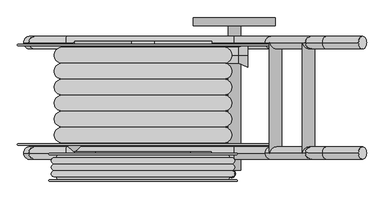
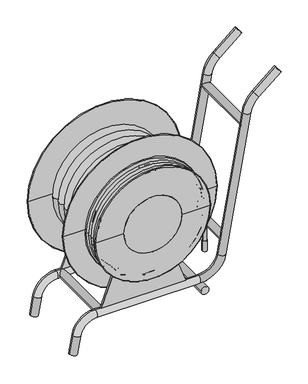
"""IFC4 building model written with IfcOpenShell, lengths in millimetres: fire suppression terminal geometry."""

from ifc_helpers import new_model, si_unit, point, frame, frame_2d, origin, place, context, project, spatial, polyline, circle_curve, ellipse_curve, trimmed, segment, composite_curve, outline, extrude, source, transform, mapped, element, save
from ifc_brep_helpers import plane_surface, cylinder_surface, revolved_surface, advanced_brep


def fire_suppression_terminal_3c945f0a(model_context):
    return source(origin(), model_context, "Body", "SolidModel", [
        extrude(outline(composite_curve([segment(trimmed(circle_curve(frame_2d((182.4354819, -205.6)), 9.5), [point((191.9354819, -205.6))], [point((172.9354819, -205.6))], False, "CARTESIAN"), True, "CONTINUOUS"), segment(trimmed(circle_curve(frame_2d((182.4354819, -205.6)), 9.5), [point((172.9354819, -205.6))], [point((191.9354819, -205.6))], False, "CARTESIAN"), True, "CONTINUOUS")], self_intersect=False)), frame((0.0, 0.0, 436.3970652), z_axis=(0.0, 0.0, 1.0), x_axis=(1.0, 0.0, 0.0)), (0.0, 0.0, 1.0), 200.0),
        advanced_brep(
        [(266.244333, -145.05, 636.3970652), (-266.244333, -145.05, 636.3970652), (-266.244333, -225.0, 636.3970652), (266.244333, -225.0, 636.3970652), (273.9955864, -160.0425467, 636.3970652), (-273.9955864, -160.0425467, 636.3970652), (282.4243529, -173.925, 636.3970652), (-282.4243529, -173.925, 636.3970652), (282.4243529, -194.525, 636.3970652), (-282.4243529, -194.525, 636.3970652), (-282.4243529, -175.525, 636.3970652), (282.4243529, -175.525, 636.3970652), (274.6730994, -211.1175467, 636.3970652), (-274.6730994, -211.1175467, 636.3970652), (-282.4243529, -196.125, 636.3970652), (282.4243529, -196.125, 636.3970652)],
        [
            (0, 1, circle_curve(frame((0.0, -145.05, 636.3970652), z_axis=(0.0, 1.0, 0.0), x_axis=(-1.0, 0.0, 0.0)), 266.244333)),
            (1, 2),
            (2, 3, circle_curve(frame((0.0, -225.0, 636.3970652), z_axis=(0.0, -1.0, 0.0), x_axis=(-1.0, 0.0, 0.0)), 266.244333)),
            (3, 0),
            (1, 0, circle_curve(frame((0.0, -145.05, 636.3970652), z_axis=(0.0, 1.0, 0.0), x_axis=(-1.0, 0.0, 0.0)), 266.244333)),
            (3, 2, circle_curve(frame((0.0, -225.0, 636.3970652), z_axis=(0.0, -1.0, 0.0), x_axis=(-1.0, 0.0, 0.0)), 266.244333)),
            (4, 5, circle_curve(frame((0.0, -160.0425467, 636.3970652), z_axis=(0.0, 1.0, 0.0), x_axis=(-1.0, 0.0, 0.0)), 273.9955864)),
            (5, 1, circle_curve(frame((-266.244333, -154.55, 636.3970652), z_axis=(0.0, 0.0, -1.0), x_axis=(-1.0, 0.0, 0.0)), 9.5)),
            (0, 4, circle_curve(frame((266.244333, -154.55, 636.3970652), z_axis=(0.0, 0.0, -1.0), x_axis=(1.0, 0.0, 0.0)), 9.5)),
            (5, 4, circle_curve(frame((0.0, -160.0425467, 636.3970652), z_axis=(0.0, 1.0, 0.0), x_axis=(-1.0, 0.0, 0.0)), 273.9955864)),
            (6, 7, circle_curve(frame((0.0, -173.925, 636.3970652), z_axis=(0.0, 1.0, 0.0), x_axis=(-1.0, 0.0, 0.0)), 282.4243529)),
            (7, 5, circle_curve(frame((-282.4243529, -164.425, 636.3970652), z_axis=(0.0, 0.0, -1.0), x_axis=(-1.0, 0.0, 0.0)), 9.5)),
            (4, 6, circle_curve(frame((282.4243529, -164.425, 636.3970652), z_axis=(0.0, 0.0, -1.0), x_axis=(1.0, 0.0, 0.0)), 9.5)),
            (7, 6, circle_curve(frame((0.0, -173.925, 636.3970652), z_axis=(0.0, 1.0, 0.0), x_axis=(-1.0, 0.0, 0.0)), 282.4243529)),
            (8, 9, circle_curve(frame((0.0, -194.525, 636.3970652), z_axis=(0.0, 1.0, 0.0), x_axis=(-1.0, 0.0, 0.0)), 282.4243529)),
            (9, 10, circle_curve(frame((-282.4243529, -185.025, 636.3970652), z_axis=(0.0, 0.0, -1.0), x_axis=(-1.0, 0.0, 0.0)), 9.5)),
            (10, 11, circle_curve(frame((0.0, -175.525, 636.3970652), z_axis=(0.0, -1.0, 0.0), x_axis=(-1.0, 0.0, 0.0)), 282.4243529)),
            (11, 8, circle_curve(frame((282.4243529, -185.025, 636.3970652), z_axis=(0.0, 0.0, -1.0), x_axis=(1.0, 0.0, 0.0)), 9.5)),
            (9, 8, circle_curve(frame((0.0, -194.525, 636.3970652), z_axis=(0.0, 1.0, 0.0), x_axis=(-1.0, 0.0, 0.0)), 282.4243529)),
            (11, 10, circle_curve(frame((0.0, -175.525, 636.3970652), z_axis=(0.0, -1.0, 0.0), x_axis=(-1.0, 0.0, 0.0)), 282.4243529)),
            (12, 13, circle_curve(frame((0.0, -211.1175467, 636.3970652), z_axis=(0.0, 1.0, 0.0), x_axis=(-1.0, 0.0, 0.0)), 274.6730994)),
            (13, 14, circle_curve(frame((-282.4243529, -205.625, 636.3970652), z_axis=(0.0, 0.0, -1.0), x_axis=(-1.0, 0.0, 0.0)), 9.5)),
            (14, 15, circle_curve(frame((0.0, -196.125, 636.3970652), z_axis=(0.0, -1.0, 0.0), x_axis=(-1.0, 0.0, 0.0)), 282.4243529)),
            (15, 12, circle_curve(frame((282.4243529, -205.625, 636.3970652), z_axis=(0.0, 0.0, -1.0), x_axis=(1.0, 0.0, 0.0)), 9.5)),
            (13, 12, circle_curve(frame((0.0, -211.1175467, 636.3970652), z_axis=(0.0, 1.0, 0.0), x_axis=(-1.0, 0.0, 0.0)), 274.6730994)),
            (15, 14, circle_curve(frame((0.0, -196.125, 636.3970652), z_axis=(0.0, -1.0, 0.0), x_axis=(-1.0, 0.0, 0.0)), 282.4243529)),
            (2, 13, circle_curve(frame((-266.244333, -215.5, 636.3970652), z_axis=(0.0, 0.0, -1.0), x_axis=(-1.0, 0.0, 0.0)), 9.5)),
            (12, 3, circle_curve(frame((266.244333, -215.5, 636.3970652), z_axis=(0.0, 0.0, -1.0), x_axis=(1.0, 0.0, 0.0)), 9.5)),
            (10, 7),
            (6, 11),
            (14, 9),
            (8, 15),
        ],
        [
            revolved_surface(polyline([(-266.244333, -225.0, 636.3970652), (-266.244333, -145.05, 636.3970652)]), (0.0, -130.0, 636.3970652), (0.0, -1.0, 0.0)),
            revolved_surface(trimmed(ellipse_curve(frame((-266.244333, -154.55, 636.3970652), z_axis=(0.0, 0.0, 1.0), x_axis=(-1.0, 0.0, 0.0)), 9.5, 9.5), [point((-266.244333, -145.05, 636.3970652))], [point((-273.9955864, -160.0425467, 636.3970652))], True, "CARTESIAN"), (0.0, -130.0, 636.3970652), (0.0, -1.0, 0.0)),
            revolved_surface(trimmed(ellipse_curve(frame((-282.4243529, -164.425, 636.3970652), z_axis=(0.0, 0.0, 1.0), x_axis=(-1.0, 0.0, 0.0)), 9.5, 9.5), [point((-273.9955864, -160.0425467, 636.3970652))], [point((-282.4243529, -173.925, 636.3970652))], True, "CARTESIAN"), (0.0, -130.0, 636.3970652), (0.0, -1.0, 0.0)),
            revolved_surface(trimmed(ellipse_curve(frame((-282.4243529, -185.025, 636.3970652), z_axis=(0.0, 0.0, 1.0), x_axis=(-1.0, 0.0, 0.0)), 9.5, 9.5), [point((-282.4243529, -175.525, 636.3970652))], [point((-282.4243529, -194.525, 636.3970652))], True, "CARTESIAN"), (0.0, -130.0, 636.3970652), (0.0, -1.0, 0.0)),
            revolved_surface(trimmed(ellipse_curve(frame((-282.4243529, -205.625, 636.3970652), z_axis=(0.0, 0.0, 1.0), x_axis=(-1.0, 0.0, 0.0)), 9.5, 9.5), [point((-282.4243529, -196.125, 636.3970652))], [point((-274.6730994, -211.1175467, 636.3970652))], True, "CARTESIAN"), (0.0, -130.0, 636.3970652), (0.0, -1.0, 0.0)),
            revolved_surface(trimmed(ellipse_curve(frame((-266.244333, -215.5, 636.3970652), z_axis=(0.0, 0.0, 1.0), x_axis=(-1.0, 0.0, 0.0)), 9.5, 9.5), [point((-274.6730994, -211.1175467, 636.3970652))], [point((-266.244333, -225.0, 636.3970652))], True, "CARTESIAN"), (0.0, -130.0, 636.3970652), (0.0, -1.0, 0.0)),
            cylinder_surface(frame((0.0, -130.0, 636.3970652), z_axis=(0.0, -1.0, 0.0), x_axis=(-1.0, 0.0, 0.0)), 282.4243529),
        ],
        [
            (0, [[1, 2, 3, 4]]),
            (0, [[5, -4, 6, -2]]),
            (1, [[7, 8, -1, 9]]),
            (1, [[10, -9, -5, -8]]),
            (2, [[11, 12, -7, 13]]),
            (2, [[14, -13, -10, -12]]),
            (3, [[15, 16, 17, 18]]),
            (3, [[19, -18, 20, -16]]),
            (4, [[21, 22, 23, 24]]),
            (4, [[25, -24, 26, -22]]),
            (5, [[-3, 27, -21, 28]]),
            (5, [[-6, -28, -25, -27]]),
            (6, [[-17, 29, -11, 30]]),
            (6, [[-20, -30, -14, -29]]),
            (6, [[-23, 31, -15, 32]]),
            (6, [[-26, -32, -19, -31]]),
        ],
    ),
        advanced_brep(
        [(333.9224788, 171.7347399, 418.065662), (333.9224788, 171.7347399, 340.1671125), (304.8659653, 171.7347399, 353.7163872), (304.8659653, 171.7347399, 404.5163872), (333.9224788, 171.7347399, 379.1163872), (0.0, 171.7347399, 404.5163872), (0.0, 171.7347399, 353.7163872), (0.0, 171.7347399, 379.1163872)],
        [
            (0, 1, circle_curve(frame((333.9224788, 171.7347399, 379.1163872), z_axis=(-1.0, 0.0, 0.0), x_axis=(0.0, 0.0, -1.0)), 38.9492747)),
            (1, 2),
            (2, 3, circle_curve(frame((304.8659653, 171.7347399, 379.1163872), z_axis=(1.0, 0.0, 0.0), x_axis=(0.0, 0.0, -1.0)), 25.4)),
            (3, 0),
            (1, 0, circle_curve(frame((333.9224788, 171.7347399, 379.1163872), z_axis=(-1.0, 0.0, 0.0), x_axis=(0.0, 0.0, -1.0)), 38.9492747)),
            (3, 2, circle_curve(frame((304.8659653, 171.7347399, 379.1163872), z_axis=(1.0, 0.0, 0.0), x_axis=(0.0, 0.0, -1.0)), 25.4)),
            (4, 1),
            (0, 4),
            (5, 6, circle_curve(frame((0.0, 171.7347399, 379.1163872), z_axis=(-1.0, 0.0, 0.0), x_axis=(0.0, 0.0, -1.0)), 25.4)),
            (6, 7),
            (7, 5),
            (6, 5, circle_curve(frame((0.0, 171.7347399, 379.1163872), z_axis=(-1.0, 0.0, 0.0), x_axis=(0.0, 0.0, -1.0)), 25.4)),
            (2, 6),
            (5, 3),
        ],
        [
            revolved_surface(polyline([(304.8659653, 171.7347399, 353.7163872), (333.9224788, 171.7347399, 340.1671125)]), (348.9224788, 171.7347399, 379.1163872), (1.0, 0.0, 0.0)),
            plane_surface(frame((333.9224788, 171.7347399, 379.1163872), z_axis=(1.0, 0.0, 0.0), x_axis=(0.0, 0.0, -1.0))),
            plane_surface(frame((0.0, 171.7347399, 379.1163872), z_axis=(-1.0, 0.0, 0.0), x_axis=(0.0, 0.0, -1.0))),
            cylinder_surface(frame((348.9224788, 171.7347399, 379.1163872), z_axis=(1.0, 0.0, 0.0), x_axis=(0.0, 0.0, -1.0)), 25.4),
        ],
        [
            (0, [[1, 2, 3, 4]]),
            (0, [[5, -4, 6, -2]]),
            (1, [[7, -1, 8]]),
            (1, [[-8, -5, -7]]),
            (2, [[9, 10, 11]]),
            (2, [[12, -11, -10]]),
            (3, [[-3, 13, -9, 14]]),
            (3, [[-6, -14, -12, -13]]),
        ],
    ),
        advanced_brep(
        [(222.0306991, 197.1347399, 636.3970652), (-222.0306991, 197.1347399, 636.3970652), (-222.0306991, -107.6652601, 636.3970652), (222.0306991, -107.6652601, 636.3970652), (257.2700489, -107.6652601, 636.3970652), (-257.2700489, -107.6652601, 636.3970652), (-257.2700489, -56.8652601, 636.3970652), (257.2700489, -56.8652601, 636.3970652), (257.2700489, 197.1347399, 636.3970652), (-257.2700489, 197.1347399, 636.3970652), (257.2700489, 146.3347399, 636.3970652), (-257.2700489, 146.3347399, 636.3970652), (257.2700489, 95.5347399, 636.3970652), (-257.2700489, 95.5347399, 636.3970652), (257.2700489, 44.7347399, 636.3970652), (-257.2700489, 44.7347399, 636.3970652), (257.2700489, -6.0652601, 636.3970652), (-257.2700489, -6.0652601, 636.3970652)],
        [
            (0, 1, circle_curve(frame((0.0, 197.1347399, 636.3970652), z_axis=(0.0, 1.0, 0.0), x_axis=(-1.0, 0.0, 0.0)), 222.0306991)),
            (1, 2),
            (2, 3, circle_curve(frame((0.0, -107.6652601, 636.3970652), z_axis=(0.0, -1.0, 0.0), x_axis=(-1.0, 0.0, 0.0)), 222.0306991)),
            (3, 0),
            (1, 0, circle_curve(frame((0.0, 197.1347399, 636.3970652), z_axis=(0.0, 1.0, 0.0), x_axis=(-1.0, 0.0, 0.0)), 222.0306991)),
            (3, 2, circle_curve(frame((0.0, -107.6652601, 636.3970652), z_axis=(0.0, -1.0, 0.0), x_axis=(-1.0, 0.0, 0.0)), 222.0306991)),
            (4, 5, circle_curve(frame((0.0, -107.6652601, 636.3970652), z_axis=(0.0, 1.0, 0.0), x_axis=(-1.0, 0.0, 0.0)), 257.2700489)),
            (5, 6, circle_curve(frame((-257.2700489, -82.2652601, 636.3970652), z_axis=(0.0, 0.0, -1.0), x_axis=(-1.0, 0.0, 0.0)), 25.4)),
            (6, 7, circle_curve(frame((0.0, -56.8652601, 636.3970652), z_axis=(0.0, -1.0, 0.0), x_axis=(-1.0, 0.0, 0.0)), 257.2700489)),
            (7, 4, circle_curve(frame((257.2700489, -82.2652601, 636.3970652), z_axis=(0.0, 0.0, -1.0), x_axis=(1.0, 0.0, 0.0)), 25.4)),
            (5, 4, circle_curve(frame((0.0, -107.6652601, 636.3970652), z_axis=(0.0, 1.0, 0.0), x_axis=(-1.0, 0.0, 0.0)), 257.2700489)),
            (7, 6, circle_curve(frame((0.0, -56.8652601, 636.3970652), z_axis=(0.0, -1.0, 0.0), x_axis=(-1.0, 0.0, 0.0)), 257.2700489)),
            (2, 5),
            (4, 3),
            (8, 9, circle_curve(frame((0.0, 197.1347399, 636.3970652), z_axis=(0.0, 1.0, 0.0), x_axis=(-1.0, 0.0, 0.0)), 257.2700489)),
            (9, 1),
            (0, 8),
            (9, 8, circle_curve(frame((0.0, 197.1347399, 636.3970652), z_axis=(0.0, 1.0, 0.0), x_axis=(-1.0, 0.0, 0.0)), 257.2700489)),
            (10, 11, circle_curve(frame((0.0, 146.3347399, 636.3970652), z_axis=(0.0, 1.0, 0.0), x_axis=(-1.0, 0.0, 0.0)), 257.2700489)),
            (11, 9, circle_curve(frame((-257.2700489, 171.7347399, 636.3970652), z_axis=(0.0, 0.0, -1.0), x_axis=(-1.0, 0.0, 0.0)), 25.4)),
            (8, 10, circle_curve(frame((257.2700489, 171.7347399, 636.3970652), z_axis=(0.0, 0.0, -1.0), x_axis=(1.0, 0.0, 0.0)), 25.4)),
            (11, 10, circle_curve(frame((0.0, 146.3347399, 636.3970652), z_axis=(0.0, 1.0, 0.0), x_axis=(-1.0, 0.0, 0.0)), 257.2700489)),
            (12, 13, circle_curve(frame((0.0, 95.5347399, 636.3970652), z_axis=(0.0, 1.0, 0.0), x_axis=(-1.0, 0.0, 0.0)), 257.2700489)),
            (13, 11, circle_curve(frame((-257.2700489, 120.9347399, 636.3970652), z_axis=(0.0, 0.0, -1.0), x_axis=(-1.0, 0.0, 0.0)), 25.4)),
            (10, 12, circle_curve(frame((257.2700489, 120.9347399, 636.3970652), z_axis=(0.0, 0.0, -1.0), x_axis=(1.0, 0.0, 0.0)), 25.4)),
            (13, 12, circle_curve(frame((0.0, 95.5347399, 636.3970652), z_axis=(0.0, 1.0, 0.0), x_axis=(-1.0, 0.0, 0.0)), 257.2700489)),
            (14, 15, circle_curve(frame((0.0, 44.7347399, 636.3970652), z_axis=(0.0, 1.0, 0.0), x_axis=(-1.0, 0.0, 0.0)), 257.2700489)),
            (15, 13, circle_curve(frame((-257.2700489, 70.1347399, 636.3970652), z_axis=(0.0, 0.0, -1.0), x_axis=(-1.0, 0.0, 0.0)), 25.4)),
            (12, 14, circle_curve(frame((257.2700489, 70.1347399, 636.3970652), z_axis=(0.0, 0.0, -1.0), x_axis=(1.0, 0.0, 0.0)), 25.4)),
            (15, 14, circle_curve(frame((0.0, 44.7347399, 636.3970652), z_axis=(0.0, 1.0, 0.0), x_axis=(-1.0, 0.0, 0.0)), 257.2700489)),
            (16, 17, circle_curve(frame((0.0, -6.0652601, 636.3970652), z_axis=(0.0, 1.0, 0.0), x_axis=(-1.0, 0.0, 0.0)), 257.2700489)),
            (17, 15, circle_curve(frame((-257.2700489, 19.3347399, 636.3970652), z_axis=(0.0, 0.0, -1.0), x_axis=(-1.0, 0.0, 0.0)), 25.4)),
            (14, 16, circle_curve(frame((257.2700489, 19.3347399, 636.3970652), z_axis=(0.0, 0.0, -1.0), x_axis=(1.0, 0.0, 0.0)), 25.4)),
            (17, 16, circle_curve(frame((0.0, -6.0652601, 636.3970652), z_axis=(0.0, 1.0, 0.0), x_axis=(-1.0, 0.0, 0.0)), 257.2700489)),
            (6, 17, circle_curve(frame((-257.2700489, -31.4652601, 636.3970652), z_axis=(0.0, 0.0, -1.0), x_axis=(-1.0, 0.0, 0.0)), 25.4)),
            (16, 7, circle_curve(frame((257.2700489, -31.4652601, 636.3970652), z_axis=(0.0, 0.0, -1.0), x_axis=(1.0, 0.0, 0.0)), 25.4)),
        ],
        [
            revolved_surface(polyline([(-222.0306991, -107.66526010000001, 636.3970652), (-222.0306991, 197.1347399, 636.3970652)]), (0.0, 200.0, 636.3970652), (0.0, -1.0, 0.0)),
            revolved_surface(trimmed(ellipse_curve(frame((-257.2700489, -82.2652601, 636.3970652), z_axis=(0.0, 0.0, 1.0), x_axis=(-1.0, 0.0, 0.0)), 25.4, 25.4), [point((-257.2700489, -56.8652601, 636.3970652))], [point((-257.2700489, -107.6652601, 636.3970652))], True, "CARTESIAN"), (0.0, 200.0, 636.3970652), (0.0, -1.0, 0.0)),
            plane_surface(frame((0.0, -107.6652601, 636.3970652), z_axis=(0.0, -1.0, 0.0), x_axis=(-1.0, 0.0, 0.0))),
            plane_surface(frame((0.0, 197.1347399, 636.3970652), z_axis=(0.0, 1.0, 0.0), x_axis=(-1.0, 0.0, 0.0))),
            revolved_surface(trimmed(ellipse_curve(frame((-257.2700489, 171.7347399, 636.3970652), z_axis=(0.0, 0.0, 1.0), x_axis=(-1.0, 0.0, 0.0)), 25.4, 25.4), [point((-257.2700489, 197.1347399, 636.3970652))], [point((-257.2700489, 146.3347399, 636.3970652))], True, "CARTESIAN"), (0.0, 200.0, 636.3970652), (0.0, -1.0, 0.0)),
            revolved_surface(trimmed(ellipse_curve(frame((-257.2700489, 120.9347399, 636.3970652), z_axis=(0.0, 0.0, 1.0), x_axis=(-1.0, 0.0, 0.0)), 25.4, 25.4), [point((-257.2700489, 146.3347399, 636.3970652))], [point((-257.2700489, 95.5347399, 636.3970652))], True, "CARTESIAN"), (0.0, 200.0, 636.3970652), (0.0, -1.0, 0.0)),
            revolved_surface(trimmed(ellipse_curve(frame((-257.2700489, 70.1347399, 636.3970652), z_axis=(0.0, 0.0, 1.0), x_axis=(-1.0, 0.0, 0.0)), 25.4, 25.4), [point((-257.2700489, 95.5347399, 636.3970652))], [point((-257.2700489, 44.7347399, 636.3970652))], True, "CARTESIAN"), (0.0, 200.0, 636.3970652), (0.0, -1.0, 0.0)),
            revolved_surface(trimmed(ellipse_curve(frame((-257.2700489, 19.3347399, 636.3970652), z_axis=(0.0, 0.0, 1.0), x_axis=(-1.0, 0.0, 0.0)), 25.4, 25.4), [point((-257.2700489, 44.7347399, 636.3970652))], [point((-257.2700489, -6.0652601, 636.3970652))], True, "CARTESIAN"), (0.0, 200.0, 636.3970652), (0.0, -1.0, 0.0)),
            revolved_surface(trimmed(ellipse_curve(frame((-257.2700489, -31.4652601, 636.3970652), z_axis=(0.0, 0.0, 1.0), x_axis=(-1.0, 0.0, 0.0)), 25.4, 25.4), [point((-257.2700489, -6.0652601, 636.3970652))], [point((-257.2700489, -56.8652601, 636.3970652))], True, "CARTESIAN"), (0.0, 200.0, 636.3970652), (0.0, -1.0, 0.0)),
        ],
        [
            (0, [[1, 2, 3, 4]]),
            (0, [[5, -4, 6, -2]]),
            (1, [[7, 8, 9, 10]]),
            (1, [[11, -10, 12, -8]]),
            (2, [[-3, 13, -7, 14]]),
            (2, [[-6, -14, -11, -13]]),
            (3, [[15, 16, -1, 17]]),
            (3, [[18, -17, -5, -16]]),
            (4, [[19, 20, -15, 21]]),
            (4, [[22, -21, -18, -20]]),
            (5, [[23, 24, -19, 25]]),
            (5, [[26, -25, -22, -24]]),
            (6, [[27, 28, -23, 29]]),
            (6, [[30, -29, -26, -28]]),
            (7, [[31, 32, -27, 33]]),
            (7, [[34, -33, -30, -32]]),
            (8, [[-9, 35, -31, 36]]),
            (8, [[-12, -36, -34, -35]]),
        ],
    ),
        extrude(outline(composite_curve([segment(trimmed(circle_curve(frame_2d((636.3970652, 0.0)), 150.0), [point((636.3970652, 150.0))], [point((636.3970652, -150.0))], False, "CARTESIAN"), True, "CONTINUOUS"), segment(trimmed(circle_curve(frame_2d((636.3970652, 0.0)), 150.0), [point((636.3970652, -150.0))], [point((636.3970652, 150.0))], False, "CARTESIAN"), True, "CONTINUOUS")], self_intersect=False)), frame((0.0, -230.0, 0.0), z_axis=(0.0, 1.0, 0.0), x_axis=(0.0, 0.0, 1.0)), (0.0, 0.0, 1.0), 95.0),
        extrude(outline(composite_curve([segment(trimmed(circle_curve(frame_2d((952.1638672, 527.3815961)), 20.0), [point((952.1638672, 547.3815961))], [point((952.1638672, 507.3815961))], False, "CARTESIAN"), True, "CONTINUOUS"), segment(trimmed(circle_curve(frame_2d((952.1638672, 527.3815961)), 20.0), [point((952.1638672, 507.3815961))], [point((952.1638672, 547.3815961))], False, "CARTESIAN"), True, "CONTINUOUS")], self_intersect=False)), frame((0.0, -140.0, 0.0), z_axis=(0.0, 1.0, 0.0), x_axis=(0.0, 0.0, 1.0)), (0.0, 0.0, 1.0), 351.6),
        extrude(outline(composite_curve([segment(trimmed(circle_curve(frame_2d((361.6090168, 422.2378881)), 20.0), [point((361.6090168, 442.2378881))], [point((361.6090168, 402.2378881))], False, "CARTESIAN"), True, "CONTINUOUS"), segment(trimmed(circle_curve(frame_2d((361.6090168, 422.2378881)), 20.0), [point((361.6090168, 402.2378881))], [point((361.6090168, 442.2378881))], False, "CARTESIAN"), True, "CONTINUOUS")], self_intersect=False)), frame((0.0, -140.0, 0.0), z_axis=(0.0, 1.0, 0.0), x_axis=(0.0, 0.0, 1.0)), (0.0, 0.0, 1.0), 351.6),
        advanced_brep(
        [(711.9092951, -139.6945931, 1172.2366331), (686.1977907, -139.6945931, 1202.8784108), (597.7348391, -139.6945931, 1076.4328891), (572.0233347, -139.6945931, 1107.0746668), (517.3001117, -139.6945931, 1012.2912644), (556.6924219, -139.6945931, 1005.3453372), (428.0343679, -139.6945931, 275.6892551), (388.6420578, -139.6945931, 282.6351822), (290.1612825, -139.6945931, 200.0), (290.1612825, -139.6945931, 160.0), (-245.2367986, -139.6945931, 160.0), (-245.2367986, -139.6945931, 200.0), (-363.413729, -139.6945931, 100.8377813), (-324.0214189, -139.6945931, 93.8918542), (-341.1894632, -139.6945931, -3.4729636), (-380.5817733, -139.6945931, 3.4729636)],
        [
            (0, 1, circle_curve(frame((699.0535429, -139.6945931, 1187.5575219), z_axis=(0.7660444431189768, 0.0, 0.642787609686541), x_axis=(-0.6427876096865409, 0.0, 0.7660444431189766)), 20.0)),
            (1, 0, circle_curve(frame((699.0535429, -139.6945931, 1187.5575219), z_axis=(0.7660444431189768, 0.0, 0.642787609686541), x_axis=(-0.6427876096865409, 0.0, 0.7660444431189766)), 20.0)),
            (0, 2),
            (2, 3, circle_curve(frame((584.8790869, -139.6945931, 1091.753778), z_axis=(0.7660444431189768, 0.0, 0.642787609686541), x_axis=(-0.6427876096865409, 0.0, 0.7660444431189766)), 20.0)),
            (3, 1),
            (3, 2, circle_curve(frame((584.8790869, -139.6945931, 1091.753778), z_axis=(0.7660444431189768, 0.0, 0.642787609686541), x_axis=(-0.6427876096865409, 0.0, 0.7660444431189766)), 20.0)),
            (4, 3, circle_curve(frame((674.8693522, -139.6945931, 984.5075559), z_axis=(0.0, 1.0, 0.0), x_axis=(-0.6427876096865407, 0.0, 0.7660444431189769)), 160.0)),
            (2, 5, circle_curve(frame((674.8693522, -139.6945931, 984.5075559), z_axis=(0.0, -1.0, 0.0), x_axis=(-0.6427876096865407, 0.0, 0.7660444431189769)), 120.0)),
            (5, 4, circle_curve(frame((536.9962668, -139.6945931, 1008.8183008), z_axis=(0.17364817766692403, 0.0, 0.9848077530122092), x_axis=(-0.9848077530122092, 0.0, 0.17364817766692403)), 20.0)),
            (4, 5, circle_curve(frame((536.9962668, -139.6945931, 1008.8183008), z_axis=(0.17364817766692547, 0.0, 0.9848077530122089), x_axis=(-0.9848077530122089, 0.0, 0.17364817766692547)), 20.0)),
            (5, 6),
            (6, 7, circle_curve(frame((408.3382129, -139.6945931, 279.1622187), z_axis=(0.17364817766692892, 0.0, 0.9848077530122084), x_axis=(-0.9848077530122084, 0.0, 0.17364817766692892)), 20.0)),
            (7, 4),
            (7, 6, circle_curve(frame((408.3382129, -139.6945931, 279.1622187), z_axis=(0.17364817766692892, 0.0, 0.9848077530122084), x_axis=(-0.9848077530122084, 0.0, 0.17364817766692892)), 20.0)),
            (8, 7, circle_curve(frame((290.1612825, -139.6945931, 300.0), z_axis=(0.0, -1.0, 0.0), x_axis=(0.9848077530122084, 0.0, -0.1736481776669284)), 100.0)),
            (6, 9, circle_curve(frame((290.1612825, -139.6945931, 300.0), z_axis=(0.0, 1.0, 0.0), x_axis=(0.9848077530122084, 0.0, -0.1736481776669284)), 140.0)),
            (9, 8, circle_curve(frame((290.1612825, -139.6945931, 180.0), z_axis=(0.9999999999999999, 0.0, 0.0), x_axis=(0.0, 0.0, 0.9999999999999999)), 20.0)),
            (8, 9, circle_curve(frame((290.1612825, -139.6945931, 180.0), z_axis=(1.0, 0.0, 0.0), x_axis=(0.0, 0.0, 1.0)), 20.0)),
            (9, 10),
            (10, 11, circle_curve(frame((-245.2367986, -139.6945931, 180.0), z_axis=(1.0, 0.0, 0.0), x_axis=(0.0, 0.0, 1.0)), 20.0)),
            (11, 8),
            (11, 10, circle_curve(frame((-245.2367986, -139.6945931, 180.0), z_axis=(1.0, 0.0, 0.0), x_axis=(0.0, 0.0, 1.0)), 20.0)),
            (12, 11, circle_curve(frame((-245.2367986, -139.6945931, 80.0), z_axis=(0.0, 1.0, 0.0), x_axis=(0.0, 0.0, 1.0)), 120.0)),
            (10, 13, circle_curve(frame((-245.2367986, -139.6945931, 80.0), z_axis=(0.0, -1.0, 0.0), x_axis=(0.0, 0.0, 1.0)), 80.0)),
            (13, 12, circle_curve(frame((-343.7175739, -139.6945931, 97.3648178), z_axis=(0.17364817766692017, 0.0, 0.9848077530122099), x_axis=(-0.9848077530122099, 0.0, 0.17364817766692017)), 20.0)),
            (12, 13, circle_curve(frame((-343.7175739, -139.6945931, 97.3648178), z_axis=(0.17364817766692367, 0.0, 0.9848077530122092), x_axis=(-0.9848077530122092, 0.0, 0.17364817766692367)), 20.0)),
            (14, 15, circle_curve(frame((-360.8856183, -139.6945931, 0.0), z_axis=(-0.1736481776669288, 0.0, -0.9848077530122084), x_axis=(-0.9848077530122084, 0.0, 0.1736481776669288)), 20.0)),
            (15, 14, circle_curve(frame((-360.8856183, -139.6945931, 0.0), z_axis=(-0.1736481776669288, 0.0, -0.9848077530122084), x_axis=(-0.9848077530122084, 0.0, 0.1736481776669288)), 20.0)),
            (13, 14),
            (15, 12),
        ],
        [
            plane_surface(frame((699.0535429, -139.6945931, 1187.5575219), z_axis=(0.7660444431189767, 0.0, 0.642787609686541), x_axis=(0.0, 1.0, 0.0))),
            cylinder_surface(frame((699.0535429, -139.6945931, 1187.5575219), z_axis=(0.7660444431189766, 0.0, 0.6427876096865409), x_axis=(-0.6427876096865409, 0.0, 0.7660444431189766)), 20.0),
            revolved_surface(trimmed(ellipse_curve(frame((584.8790869, -139.6945931, 1091.753778), z_axis=(0.7660444431189769, 0.0, 0.6427876096865407), x_axis=(-0.6427876096865407, 0.0, 0.7660444431189769)), 20.0, 20.0), [point((597.7348391, -139.6945931, 1076.4328891))], [point((572.0233347, -139.6945931, 1107.0746668))], True, "CARTESIAN"), (674.8693522, -139.6945931, 984.5075559), (0.0, -1.0, 0.0)),
            revolved_surface(trimmed(ellipse_curve(frame((584.8790869, -139.6945931, 1091.753778), z_axis=(0.7660444431189769, 0.0, 0.6427876096865407), x_axis=(-0.6427876096865407, 0.0, 0.7660444431189769)), 20.0, 20.0), [point((572.0233347, -139.6945931, 1107.0746668))], [point((597.7348391, -139.6945931, 1076.4328891))], True, "CARTESIAN"), (674.8693522, -139.6945931, 984.5075559), (0.0, -1.0, 0.0)),
            cylinder_surface(frame((536.9962668, -139.6945931, 1008.8183008), z_axis=(0.17364817766692892, 0.0, 0.9848077530122084), x_axis=(-0.9848077530122084, 0.0, 0.17364817766692892)), 20.0),
            revolved_surface(trimmed(ellipse_curve(frame((408.3382129, -139.6945931, 279.1622187), z_axis=(0.17364817766692858, 0.0, 0.9848077530122084), x_axis=(-0.9848077530122084, 0.0, 0.17364817766692858)), 20.0, 20.0), [point((428.0343679, -139.6945931, 275.6892551))], [point((388.6420578, -139.6945931, 282.6351822))], True, "CARTESIAN"), (290.1612825, -139.6945931, 300.0), (0.0, 1.0, 0.0)),
            revolved_surface(trimmed(ellipse_curve(frame((408.3382129, -139.6945931, 279.1622187), z_axis=(0.17364817766692858, 0.0, 0.9848077530122084), x_axis=(-0.9848077530122084, 0.0, 0.17364817766692858)), 20.0, 20.0), [point((388.6420578, -139.6945931, 282.6351822))], [point((428.0343679, -139.6945931, 275.6892551))], True, "CARTESIAN"), (290.1612825, -139.6945931, 300.0), (0.0, 1.0, 0.0)),
            cylinder_surface(frame((290.1612825, -139.6945931, 180.0), z_axis=(1.0, 0.0, 0.0), x_axis=(0.0, 0.0, 1.0)), 20.0),
            revolved_surface(trimmed(ellipse_curve(frame((-245.2367986, -139.6945931, 180.0), z_axis=(1.0, 0.0, 0.0), x_axis=(0.0, 0.0, 1.0)), 20.0, 20.0), [point((-245.2367986, -139.6945931, 160.0))], [point((-245.2367986, -139.6945931, 200.0))], True, "CARTESIAN"), (-245.2367986, -139.6945931, 80.0), (0.0, -1.0, 0.0)),
            revolved_surface(trimmed(ellipse_curve(frame((-245.2367986, -139.6945931, 180.0), z_axis=(1.0, 0.0, 0.0), x_axis=(0.0, 0.0, 1.0)), 20.0, 20.0), [point((-245.2367986, -139.6945931, 200.0))], [point((-245.2367986, -139.6945931, 160.0))], True, "CARTESIAN"), (-245.2367986, -139.6945931, 80.0), (0.0, -1.0, 0.0)),
            plane_surface(frame((-360.8856183, -139.6945931, 0.0), z_axis=(-0.1736481776669286, 0.0, -0.9848077530122084), x_axis=(0.0, 1.0, 0.0))),
            cylinder_surface(frame((-343.7175739, -139.6945931, 97.3648178), z_axis=(0.1736481776669288, 0.0, 0.9848077530122084), x_axis=(-0.9848077530122084, 0.0, 0.1736481776669288)), 20.0),
        ],
        [
            (0, [[1, 2]]),
            (1, [[-1, 3, 4, 5]]),
            (1, [[-2, -5, 6, -3]]),
            (2, [[7, -4, 8, 9]]),
            (3, [[-8, -6, -7, 10]]),
            (4, [[-9, 11, 12, 13]]),
            (4, [[-10, -13, 14, -11]]),
            (5, [[15, -12, 16, 17]]),
            (6, [[-16, -14, -15, 18]]),
            (7, [[-17, 19, 20, 21]]),
            (7, [[-18, -21, 22, -19]]),
            (8, [[23, -20, 24, 25]]),
            (9, [[-24, -22, -23, 26]]),
            (10, [[27, 28]]),
            (11, [[-25, 29, -28, 30]]),
            (11, [[-26, -30, -27, -29]]),
        ],
    ),
        extrude(outline(polyline([(691.2403958, -35.4948679), (200.032013, -218.7229775), (200.032013, 218.7229775), (691.2403958, 35.4948679), (691.2403958, -35.4948679)])), frame((0.0, 206.6, 0.0), z_axis=(0.0, 1.0, 0.0), x_axis=(0.0, 0.0, 1.0)), (0.0, 0.0, 1.0), 10.0),
        extrude(outline(polyline([(691.2403958, -35.4948679), (200.032013, -218.7229775), (200.032013, 218.7229775), (691.2403958, 35.4948679), (691.2403958, -35.4948679)])), frame((0.0, -145.0, 0.0), z_axis=(0.0, 1.0, 0.0), x_axis=(0.0, 0.0, 1.0)), (0.0, 0.0, 1.0), 10.0),
        extrude(outline(composite_curve([segment(trimmed(circle_curve(frame_2d((180.032013, -218.7229775)), 20.0), [point((180.032013, -198.7229775))], [point((180.032013, -238.7229775))], False, "CARTESIAN"), True, "CONTINUOUS"), segment(trimmed(circle_curve(frame_2d((180.032013, -218.7229775)), 20.0), [point((180.032013, -238.7229775))], [point((180.032013, -198.7229775))], False, "CARTESIAN"), True, "CONTINUOUS")], self_intersect=False)), frame((0.0, -140.0, 0.0), z_axis=(0.0, 1.0, 0.0), x_axis=(0.0, 0.0, 1.0)), (0.0, 0.0, 1.0), 351.6),
        advanced_brep(
        [(711.9092951, 211.9054069, 1172.2366331), (686.1977907, 211.9054069, 1202.8784108), (597.7348391, 211.9054069, 1076.4328891), (572.0233347, 211.9054069, 1107.0746668), (517.3001117, 211.9054069, 1012.2912644), (556.6924219, 211.9054069, 1005.3453372), (428.0343679, 211.9054069, 275.6892551), (388.6420578, 211.9054069, 282.6351822), (290.1612825, 211.9054069, 200.0), (290.1612825, 211.9054069, 160.0), (-245.2367986, 211.9054069, 160.0), (-245.2367986, 211.9054069, 200.0), (-363.413729, 211.9054069, 100.8377813), (-324.0214189, 211.9054069, 93.8918542), (-341.1894632, 211.9054069, -3.4729636), (-380.5817733, 211.9054069, 3.4729636)],
        [
            (0, 1, circle_curve(frame((699.0535429, 211.9054069, 1187.5575219), z_axis=(0.7660444431189768, 0.0, 0.642787609686541), x_axis=(-0.6427876096865409, 0.0, 0.7660444431189766)), 20.0)),
            (1, 0, circle_curve(frame((699.0535429, 211.9054069, 1187.5575219), z_axis=(0.7660444431189768, 0.0, 0.642787609686541), x_axis=(-0.6427876096865409, 0.0, 0.7660444431189766)), 20.0)),
            (0, 2),
            (2, 3, circle_curve(frame((584.8790869, 211.9054069, 1091.753778), z_axis=(0.7660444431189768, 0.0, 0.642787609686541), x_axis=(-0.6427876096865409, 0.0, 0.7660444431189766)), 20.0)),
            (3, 1),
            (3, 2, circle_curve(frame((584.8790869, 211.9054069, 1091.753778), z_axis=(0.7660444431189768, 0.0, 0.642787609686541), x_axis=(-0.6427876096865409, 0.0, 0.7660444431189766)), 20.0)),
            (4, 3, circle_curve(frame((674.8693522, 211.9054069, 984.5075559), z_axis=(0.0, 1.0, 0.0), x_axis=(-0.6427876096865407, 0.0, 0.7660444431189769)), 160.0)),
            (2, 5, circle_curve(frame((674.8693522, 211.9054069, 984.5075559), z_axis=(0.0, -1.0, 0.0), x_axis=(-0.6427876096865407, 0.0, 0.7660444431189769)), 120.0)),
            (5, 4, circle_curve(frame((536.9962668, 211.9054069, 1008.8183008), z_axis=(0.1736481776669216, 0.0, 0.9848077530122097), x_axis=(-0.9848077530122097, 0.0, 0.1736481776669216)), 20.0)),
            (4, 5, circle_curve(frame((536.9962668, 211.9054069, 1008.8183008), z_axis=(0.17364817766692364, 0.0, 0.9848077530122092), x_axis=(-0.9848077530122092, 0.0, 0.17364817766692364)), 20.0)),
            (5, 6),
            (6, 7, circle_curve(frame((408.3382129, 211.9054069, 279.1622187), z_axis=(0.17364817766692892, 0.0, 0.9848077530122084), x_axis=(-0.9848077530122084, 0.0, 0.17364817766692892)), 20.0)),
            (7, 4),
            (7, 6, circle_curve(frame((408.3382129, 211.9054069, 279.1622187), z_axis=(0.17364817766692892, 0.0, 0.9848077530122084), x_axis=(-0.9848077530122084, 0.0, 0.17364817766692892)), 20.0)),
            (8, 7, circle_curve(frame((290.1612825, 211.9054069, 300.0), z_axis=(0.0, -1.0, 0.0), x_axis=(0.9848077530122084, 0.0, -0.1736481776669284)), 100.0)),
            (6, 9, circle_curve(frame((290.1612825, 211.9054069, 300.0), z_axis=(0.0, 1.0, 0.0), x_axis=(0.9848077530122084, 0.0, -0.1736481776669284)), 140.0)),
            (9, 8, circle_curve(frame((290.1612825, 211.9054069, 180.0), z_axis=(0.9999999999999999, 0.0, 0.0), x_axis=(0.0, 0.0, 0.9999999999999999)), 20.0)),
            (8, 9, circle_curve(frame((290.1612825, 211.9054069, 180.0), z_axis=(1.0, 0.0, 0.0), x_axis=(0.0, 0.0, 1.0)), 20.0)),
            (9, 10),
            (10, 11, circle_curve(frame((-245.2367986, 211.9054069, 180.0), z_axis=(1.0, 0.0, 0.0), x_axis=(0.0, 0.0, 1.0)), 20.0)),
            (11, 8),
            (11, 10, circle_curve(frame((-245.2367986, 211.9054069, 180.0), z_axis=(1.0, 0.0, 0.0), x_axis=(0.0, 0.0, 1.0)), 20.0)),
            (12, 11, circle_curve(frame((-245.2367986, 211.9054069, 80.0), z_axis=(0.0, 1.0, 0.0), x_axis=(0.0, 0.0, 1.0)), 120.0)),
            (10, 13, circle_curve(frame((-245.2367986, 211.9054069, 80.0), z_axis=(0.0, -1.0, 0.0), x_axis=(0.0, 0.0, 1.0)), 80.0)),
            (13, 12, circle_curve(frame((-343.7175739, 211.9054069, 97.3648178), z_axis=(0.1736481776669204, 0.0, 0.9848077530122098), x_axis=(-0.9848077530122098, 0.0, 0.1736481776669204)), 20.0)),
            (12, 13, circle_curve(frame((-343.7175739, 211.9054069, 97.3648178), z_axis=(0.17364817766692345, 0.0, 0.9848077530122094), x_axis=(-0.9848077530122094, 0.0, 0.17364817766692345)), 20.0)),
            (14, 15, circle_curve(frame((-360.8856183, 211.9054069, 0.0), z_axis=(-0.1736481776669288, 0.0, -0.9848077530122084), x_axis=(-0.9848077530122084, 0.0, 0.1736481776669288)), 20.0)),
            (15, 14, circle_curve(frame((-360.8856183, 211.9054069, 0.0), z_axis=(-0.1736481776669288, 0.0, -0.9848077530122084), x_axis=(-0.9848077530122084, 0.0, 0.1736481776669288)), 20.0)),
            (13, 14),
            (15, 12),
        ],
        [
            plane_surface(frame((699.0535429, 211.9054069, 1187.5575219), z_axis=(0.7660444431189767, 0.0, 0.642787609686541), x_axis=(0.0, 1.0, 0.0))),
            cylinder_surface(frame((699.0535429, 211.9054069, 1187.5575219), z_axis=(0.7660444431189766, 0.0, 0.6427876096865409), x_axis=(-0.6427876096865409, 0.0, 0.7660444431189766)), 20.0),
            revolved_surface(trimmed(ellipse_curve(frame((584.8790869, 211.9054069, 1091.753778), z_axis=(0.7660444431189769, 0.0, 0.6427876096865407), x_axis=(-0.6427876096865407, 0.0, 0.7660444431189769)), 20.0, 20.0), [point((597.7348391, 211.9054069, 1076.4328891))], [point((572.0233347, 211.9054069, 1107.0746668))], True, "CARTESIAN"), (674.8693522, 211.9054069, 984.5075559), (0.0, -1.0, 0.0)),
            revolved_surface(trimmed(ellipse_curve(frame((584.8790869, 211.9054069, 1091.753778), z_axis=(0.7660444431189769, 0.0, 0.6427876096865407), x_axis=(-0.6427876096865407, 0.0, 0.7660444431189769)), 20.0, 20.0), [point((572.0233347, 211.9054069, 1107.0746668))], [point((597.7348391, 211.9054069, 1076.4328891))], True, "CARTESIAN"), (674.8693522, 211.9054069, 984.5075559), (0.0, -1.0, 0.0)),
            cylinder_surface(frame((536.9962668, 211.9054069, 1008.8183008), z_axis=(0.17364817766692892, 0.0, 0.9848077530122084), x_axis=(-0.9848077530122084, 0.0, 0.17364817766692892)), 20.0),
            revolved_surface(trimmed(ellipse_curve(frame((408.3382129, 211.9054069, 279.1622187), z_axis=(0.17364817766692858, 0.0, 0.9848077530122084), x_axis=(-0.9848077530122084, 0.0, 0.17364817766692858)), 20.0, 20.0), [point((428.0343679, 211.9054069, 275.6892551))], [point((388.6420578, 211.9054069, 282.6351822))], True, "CARTESIAN"), (290.1612825, 211.9054069, 300.0), (0.0, 1.0, 0.0)),
            revolved_surface(trimmed(ellipse_curve(frame((408.3382129, 211.9054069, 279.1622187), z_axis=(0.17364817766692858, 0.0, 0.9848077530122084), x_axis=(-0.9848077530122084, 0.0, 0.17364817766692858)), 20.0, 20.0), [point((388.6420578, 211.9054069, 282.6351822))], [point((428.0343679, 211.9054069, 275.6892551))], True, "CARTESIAN"), (290.1612825, 211.9054069, 300.0), (0.0, 1.0, 0.0)),
            cylinder_surface(frame((290.1612825, 211.9054069, 180.0), z_axis=(1.0, 0.0, 0.0), x_axis=(0.0, 0.0, 1.0)), 20.0),
            revolved_surface(trimmed(ellipse_curve(frame((-245.2367986, 211.9054069, 180.0), z_axis=(1.0, 0.0, 0.0), x_axis=(0.0, 0.0, 1.0)), 20.0, 20.0), [point((-245.2367986, 211.9054069, 160.0))], [point((-245.2367986, 211.9054069, 200.0))], True, "CARTESIAN"), (-245.2367986, 211.9054069, 80.0), (0.0, -1.0, 0.0)),
            revolved_surface(trimmed(ellipse_curve(frame((-245.2367986, 211.9054069, 180.0), z_axis=(1.0, 0.0, 0.0), x_axis=(0.0, 0.0, 1.0)), 20.0, 20.0), [point((-245.2367986, 211.9054069, 200.0))], [point((-245.2367986, 211.9054069, 160.0))], True, "CARTESIAN"), (-245.2367986, 211.9054069, 80.0), (0.0, -1.0, 0.0)),
            plane_surface(frame((-360.8856183, 211.9054069, 0.0), z_axis=(-0.1736481776669286, 0.0, -0.9848077530122084), x_axis=(0.0, 1.0, 0.0))),
            cylinder_surface(frame((-343.7175739, 211.9054069, 97.3648178), z_axis=(0.1736481776669288, 0.0, 0.9848077530122084), x_axis=(-0.9848077530122084, 0.0, 0.1736481776669288)), 20.0),
        ],
        [
            (0, [[1, 2]]),
            (1, [[-1, 3, 4, 5]]),
            (1, [[-2, -5, 6, -3]]),
            (2, [[7, -4, 8, 9]]),
            (3, [[-8, -6, -7, 10]]),
            (4, [[-9, 11, 12, 13]]),
            (4, [[-10, -13, 14, -11]]),
            (5, [[15, -12, 16, 17]]),
            (6, [[-16, -14, -15, 18]]),
            (7, [[-17, 19, 20, 21]]),
            (7, [[-18, -21, 22, -19]]),
            (8, [[23, -20, 24, 25]]),
            (9, [[-24, -22, -23, 26]]),
            (10, [[27, 28]]),
            (11, [[-25, 29, -28, 30]]),
            (11, [[-26, -30, -27, -29]]),
        ],
    ),
        extrude(outline(composite_curve([segment(trimmed(circle_curve(frame_2d((150.0, 290.8532383)), 20.0), [point((150.0, 310.8532383))], [point((150.0, 270.8532383))], False, "CARTESIAN"), True, "CONTINUOUS"), segment(trimmed(circle_curve(frame_2d((150.0, 290.8532383)), 20.0), [point((150.0, 270.8532383))], [point((150.0, 310.8532383))], False, "CARTESIAN"), True, "CONTINUOUS")], self_intersect=False)), frame((0.0, -195.0, 0.0), z_axis=(0.0, 1.0, 0.0), x_axis=(0.0, 0.0, 1.0)), (0.0, 0.0, 1.0), 460.0),
        advanced_brep(
        [(294.7354819, -205.6, 436.3970652), (270.1354819, -205.6, 436.3970652), (270.1354819, -205.6, 381.3970652), (294.7354819, -205.6, 381.3970652), (282.4354819, -205.6, 381.3970652), (282.4354819, -205.6, 436.3970652)],
        [
            (0, 1, circle_curve(frame((282.4354819, -205.6, 436.3970652), z_axis=(0.0, 0.0, -1.0), x_axis=(-1.0, 0.0, 0.0)), 12.3)),
            (1, 2),
            (2, 3, circle_curve(frame((282.4354819, -205.6, 381.3970652), z_axis=(0.0, 0.0, 1.0), x_axis=(-1.0, 0.0, 0.0)), 12.3)),
            (3, 0),
            (1, 0, circle_curve(frame((282.4354819, -205.6, 436.3970652), z_axis=(0.0, 0.0, -1.0), x_axis=(-1.0, 0.0, 0.0)), 12.3)),
            (3, 2, circle_curve(frame((282.4354819, -205.6, 381.3970652), z_axis=(0.0, 0.0, 1.0), x_axis=(-1.0, 0.0, 0.0)), 12.3)),
            (2, 4),
            (4, 3),
            (5, 1),
            (0, 5),
        ],
        [
            cylinder_surface(frame((282.4354819, -205.6, 436.3970652), z_axis=(0.0, 0.0, 1.0), x_axis=(-1.0, 0.0, 0.0)), 12.3),
            plane_surface(frame((282.4354819, -205.6, 381.3970652), z_axis=(0.0, 0.0, -1.0), x_axis=(-1.0, 0.0, 0.0))),
            plane_surface(frame((282.4354819, -205.6, 436.3970652), z_axis=(0.0, 0.0, 1.0), x_axis=(-1.0, 0.0, 0.0))),
        ],
        [
            (0, [[1, 2, 3, 4]]),
            (0, [[5, -4, 6, -2]]),
            (1, [[-3, 7, 8]]),
            (1, [[-6, -8, -7]]),
            (2, [[9, -1, 10]]),
            (2, [[-10, -5, -9]]),
        ],
    ),
        extrude(outline(composite_curve([segment(trimmed(circle_curve(frame_2d((282.4354819, -205.6)), 9.5), [point((291.9354819, -205.6))], [point((272.9354819, -205.6))], False, "CARTESIAN"), True, "CONTINUOUS"), segment(trimmed(circle_curve(frame_2d((282.4354819, -205.6)), 9.5), [point((272.9354819, -205.6))], [point((291.9354819, -205.6))], False, "CARTESIAN"), True, "CONTINUOUS")], self_intersect=False)), frame((0.0, 0.0, 436.3970652), z_axis=(0.0, 0.0, 1.0), x_axis=(1.0, 0.0, 0.0)), (0.0, 0.0, 1.0), 200.0),
        advanced_brep(
        [(50.0, 201.6, 636.3970652), (-50.0, 201.6, 636.3970652), (-397.5, 201.6, 636.3970652), (397.5, 201.6, 636.3970652), (50.0, 206.6, 636.3970652), (-50.0, 206.6, 636.3970652), (397.5, 206.6, 636.3970652), (-397.5, 206.6, 636.3970652)],
        [
            (0, 1, circle_curve(frame((0.0, 201.6, 636.3970652), z_axis=(0.0, 1.0, 0.0), x_axis=(-1.0, 0.0, 0.0)), 50.0)),
            (1, 2),
            (2, 3, circle_curve(frame((0.0, 201.6, 636.3970652), z_axis=(0.0, -1.0, 0.0), x_axis=(-1.0, 0.0, 0.0)), 397.5)),
            (3, 0),
            (1, 0, circle_curve(frame((0.0, 201.6, 636.3970652), z_axis=(0.0, 1.0, 0.0), x_axis=(-1.0, 0.0, 0.0)), 50.0)),
            (3, 2, circle_curve(frame((0.0, 201.6, 636.3970652), z_axis=(0.0, -1.0, 0.0), x_axis=(-1.0, 0.0, 0.0)), 397.5)),
            (4, 5, circle_curve(frame((0.0, 206.6, 636.3970652), z_axis=(0.0, 1.0, 0.0), x_axis=(-1.0, 0.0, 0.0)), 50.0)),
            (5, 1),
            (0, 4),
            (5, 4, circle_curve(frame((0.0, 206.6, 636.3970652), z_axis=(0.0, 1.0, 0.0), x_axis=(-1.0, 0.0, 0.0)), 50.0)),
            (6, 7, circle_curve(frame((0.0, 206.6, 636.3970652), z_axis=(0.0, 1.0, 0.0), x_axis=(-1.0, 0.0, 0.0)), 397.5)),
            (7, 5),
            (4, 6),
            (7, 6, circle_curve(frame((0.0, 206.6, 636.3970652), z_axis=(0.0, 1.0, 0.0), x_axis=(-1.0, 0.0, 0.0)), 397.5)),
            (2, 7, circle_curve(frame((-397.5, 204.1, 636.3970652), z_axis=(0.0, 0.0, -1.0), x_axis=(-1.0, 0.0, 0.0)), 2.5)),
            (6, 3, circle_curve(frame((397.5, 204.1, 636.3970652), z_axis=(0.0, 0.0, -1.0), x_axis=(1.0, 0.0, 0.0)), 2.5)),
        ],
        [
            plane_surface(frame((0.0, 201.6, 636.3970652), z_axis=(0.0, -1.0, 0.0), x_axis=(-1.0, 0.0, 0.0))),
            revolved_surface(polyline([(-50.0, 201.6, 636.3970652), (-50.0, 206.6, 636.3970652)]), (0.0, 231.6, 636.3970652), (0.0, -1.0, 0.0)),
            plane_surface(frame((0.0, 206.6, 636.3970652), z_axis=(0.0, 1.0, 0.0), x_axis=(-1.0, 0.0, 0.0))),
            revolved_surface(trimmed(ellipse_curve(frame((-397.5, 204.1, 636.3970652), z_axis=(0.0, 0.0, 1.0), x_axis=(-1.0, 0.0, 0.0)), 2.5, 2.5), [point((-397.5, 206.6, 636.3970652))], [point((-397.5, 201.6, 636.3970652))], True, "CARTESIAN"), (0.0, 231.6, 636.3970652), (0.0, -1.0, 0.0)),
        ],
        [
            (0, [[1, 2, 3, 4]]),
            (0, [[5, -4, 6, -2]]),
            (1, [[7, 8, -1, 9]]),
            (1, [[10, -9, -5, -8]]),
            (2, [[11, 12, -7, 13]]),
            (2, [[14, -13, -10, -12]]),
            (3, [[-3, 15, -11, 16]]),
            (3, [[-6, -16, -14, -15]]),
        ],
    ),
        advanced_brep(
        [(150.0, -115.4, 636.3970652), (-150.0, -115.4, 636.3970652), (-397.5, -115.4, 636.3970652), (397.5, -115.4, 636.3970652), (150.0, -110.4, 636.3970652), (-150.0, -110.4, 636.3970652), (397.5, -110.4, 636.3970652), (-397.5, -110.4, 636.3970652)],
        [
            (0, 1, circle_curve(frame((0.0, -115.4, 636.3970652), z_axis=(0.0, 1.0, 0.0), x_axis=(-1.0, 0.0, 0.0)), 150.0)),
            (1, 2),
            (2, 3, circle_curve(frame((0.0, -115.4, 636.3970652), z_axis=(0.0, -1.0, 0.0), x_axis=(-1.0, 0.0, 0.0)), 397.5)),
            (3, 0),
            (1, 0, circle_curve(frame((0.0, -115.4, 636.3970652), z_axis=(0.0, 1.0, 0.0), x_axis=(-1.0, 0.0, 0.0)), 150.0)),
            (3, 2, circle_curve(frame((0.0, -115.4, 636.3970652), z_axis=(0.0, -1.0, 0.0), x_axis=(-1.0, 0.0, 0.0)), 397.5)),
            (4, 5, circle_curve(frame((0.0, -110.4, 636.3970652), z_axis=(0.0, 1.0, 0.0), x_axis=(-1.0, 0.0, 0.0)), 150.0)),
            (5, 1),
            (0, 4),
            (5, 4, circle_curve(frame((0.0, -110.4, 636.3970652), z_axis=(0.0, 1.0, 0.0), x_axis=(-1.0, 0.0, 0.0)), 150.0)),
            (6, 7, circle_curve(frame((0.0, -110.4, 636.3970652), z_axis=(0.0, 1.0, 0.0), x_axis=(-1.0, 0.0, 0.0)), 397.5)),
            (7, 5),
            (4, 6),
            (7, 6, circle_curve(frame((0.0, -110.4, 636.3970652), z_axis=(0.0, 1.0, 0.0), x_axis=(-1.0, 0.0, 0.0)), 397.5)),
            (2, 7, circle_curve(frame((-397.5, -112.9, 636.3970652), z_axis=(0.0, 0.0, -1.0), x_axis=(-1.0, 0.0, 0.0)), 2.5)),
            (6, 3, circle_curve(frame((397.5, -112.9, 636.3970652), z_axis=(0.0, 0.0, -1.0), x_axis=(1.0, 0.0, 0.0)), 2.5)),
        ],
        [
            plane_surface(frame((0.0, -115.4, 636.3970652), z_axis=(0.0, -1.0, 0.0), x_axis=(-1.0, 0.0, 0.0))),
            revolved_surface(polyline([(-150.0, -115.4, 636.3970652), (-150.0, -110.4, 636.3970652)]), (0.0, 231.6, 636.3970652), (0.0, -1.0, 0.0)),
            plane_surface(frame((0.0, -110.4, 636.3970652), z_axis=(0.0, 1.0, 0.0), x_axis=(-1.0, 0.0, 0.0))),
            revolved_surface(trimmed(ellipse_curve(frame((-397.5, -112.9, 636.3970652), z_axis=(0.0, 0.0, 1.0), x_axis=(-1.0, 0.0, 0.0)), 2.5, 2.5), [point((-397.5, -110.4, 636.3970652))], [point((-397.5, -115.4, 636.3970652))], True, "CARTESIAN"), (0.0, 231.6, 636.3970652), (0.0, -1.0, 0.0)),
        ],
        [
            (0, [[1, 2, 3, 4]]),
            (0, [[5, -4, 6, -2]]),
            (1, [[7, 8, -1, 9]]),
            (1, [[10, -9, -5, -8]]),
            (2, [[11, 12, -7, 13]]),
            (2, [[14, -13, -10, -12]]),
            (3, [[-3, 15, -11, 16]]),
            (3, [[-6, -16, -14, -15]]),
        ],
    ),
        advanced_brep(
        [(297.5, -145.0, 636.3970652), (-297.5, -145.0, 636.3970652), (-297.5, -140.0, 636.3970652), (297.5, -140.0, 636.3970652), (150.0, -145.0, 636.3970652), (-150.0, -145.0, 636.3970652), (150.0, -140.0, 636.3970652), (-150.0, -140.0, 636.3970652)],
        [
            (0, 1, circle_curve(frame((0.0, -145.0, 636.3970652), z_axis=(0.0, 1.0, 0.0), x_axis=(-1.0, 0.0, 0.0)), 297.5)),
            (1, 2, circle_curve(frame((-297.5, -142.5, 636.3970652), z_axis=(0.0, 0.0, -1.0), x_axis=(-1.0, 0.0, 0.0)), 2.5)),
            (2, 3, circle_curve(frame((0.0, -140.0, 636.3970652), z_axis=(0.0, -1.0, 0.0), x_axis=(-1.0, 0.0, 0.0)), 297.5)),
            (3, 0, circle_curve(frame((297.5, -142.5, 636.3970652), z_axis=(0.0, 0.0, -1.0), x_axis=(1.0, 0.0, 0.0)), 2.5)),
            (1, 0, circle_curve(frame((0.0, -145.0, 636.3970652), z_axis=(0.0, 1.0, 0.0), x_axis=(-1.0, 0.0, 0.0)), 297.5)),
            (3, 2, circle_curve(frame((0.0, -140.0, 636.3970652), z_axis=(0.0, -1.0, 0.0), x_axis=(-1.0, 0.0, 0.0)), 297.5)),
            (4, 5, circle_curve(frame((0.0, -145.0, 636.3970652), z_axis=(0.0, 1.0, 0.0), x_axis=(-1.0, 0.0, 0.0)), 150.0)),
            (5, 1),
            (0, 4),
            (5, 4, circle_curve(frame((0.0, -145.0, 636.3970652), z_axis=(0.0, 1.0, 0.0), x_axis=(-1.0, 0.0, 0.0)), 150.0)),
            (6, 7, circle_curve(frame((0.0, -140.0, 636.3970652), z_axis=(0.0, 1.0, 0.0), x_axis=(-1.0, 0.0, 0.0)), 150.0)),
            (7, 5),
            (4, 6),
            (7, 6, circle_curve(frame((0.0, -140.0, 636.3970652), z_axis=(0.0, 1.0, 0.0), x_axis=(-1.0, 0.0, 0.0)), 150.0)),
            (2, 7),
            (6, 3),
        ],
        [
            revolved_surface(trimmed(ellipse_curve(frame((-297.5, -142.5, 636.3970652), z_axis=(0.0, 0.0, 1.0), x_axis=(-1.0, 0.0, 0.0)), 2.5, 2.5), [point((-297.5, -140.0, 636.3970652))], [point((-297.5, -145.0, 636.3970652))], True, "CARTESIAN"), (0.0, -180.0, 636.3970652), (0.0, -1.0, 0.0)),
            plane_surface(frame((0.0, -145.0, 636.3970652), z_axis=(0.0, -1.0, 0.0), x_axis=(-1.0, 0.0, 0.0))),
            revolved_surface(polyline([(-150.0, -145.0, 636.3970652), (-150.0, -140.0, 636.3970652)]), (0.0, -180.0, 636.3970652), (0.0, -1.0, 0.0)),
            plane_surface(frame((0.0, -140.0, 636.3970652), z_axis=(0.0, 1.0, 0.0), x_axis=(-1.0, 0.0, 0.0))),
        ],
        [
            (0, [[1, 2, 3, 4]]),
            (0, [[5, -4, 6, -2]]),
            (1, [[7, 8, -1, 9]]),
            (1, [[10, -9, -5, -8]]),
            (2, [[11, 12, -7, 13]]),
            (2, [[14, -13, -10, -12]]),
            (3, [[-3, 15, -11, 16]]),
            (3, [[-6, -16, -14, -15]]),
        ],
    ),
        advanced_brep(
        [(297.5, -230.0, 636.3970652), (-297.5, -230.0, 636.3970652), (-297.5, -225.0, 636.3970652), (297.5, -225.0, 636.3970652), (150.0, -230.0, 636.3970652), (-150.0, -230.0, 636.3970652), (150.0, -225.0, 636.3970652), (-150.0, -225.0, 636.3970652)],
        [
            (0, 1, circle_curve(frame((0.0, -230.0, 636.3970652), z_axis=(0.0, 1.0, 0.0), x_axis=(-1.0, 0.0, 0.0)), 297.5)),
            (1, 2, circle_curve(frame((-297.5, -227.5, 636.3970652), z_axis=(0.0, 0.0, -1.0), x_axis=(-1.0, 0.0, 0.0)), 2.5)),
            (2, 3, circle_curve(frame((0.0, -225.0, 636.3970652), z_axis=(0.0, -1.0, 0.0), x_axis=(-1.0, 0.0, 0.0)), 297.5)),
            (3, 0, circle_curve(frame((297.5, -227.5, 636.3970652), z_axis=(0.0, 0.0, -1.0), x_axis=(1.0, 0.0, 0.0)), 2.5)),
            (1, 0, circle_curve(frame((0.0, -230.0, 636.3970652), z_axis=(0.0, 1.0, 0.0), x_axis=(-1.0, 0.0, 0.0)), 297.5)),
            (3, 2, circle_curve(frame((0.0, -225.0, 636.3970652), z_axis=(0.0, -1.0, 0.0), x_axis=(-1.0, 0.0, 0.0)), 297.5)),
            (4, 5, circle_curve(frame((0.0, -230.0, 636.3970652), z_axis=(0.0, 1.0, 0.0), x_axis=(-1.0, 0.0, 0.0)), 150.0)),
            (5, 1),
            (0, 4),
            (5, 4, circle_curve(frame((0.0, -230.0, 636.3970652), z_axis=(0.0, 1.0, 0.0), x_axis=(-1.0, 0.0, 0.0)), 150.0)),
            (6, 7, circle_curve(frame((0.0, -225.0, 636.3970652), z_axis=(0.0, 1.0, 0.0), x_axis=(-1.0, 0.0, 0.0)), 150.0)),
            (7, 5),
            (4, 6),
            (7, 6, circle_curve(frame((0.0, -225.0, 636.3970652), z_axis=(0.0, 1.0, 0.0), x_axis=(-1.0, 0.0, 0.0)), 150.0)),
            (2, 7),
            (6, 3),
        ],
        [
            revolved_surface(trimmed(ellipse_curve(frame((-297.5, -227.5, 636.3970652), z_axis=(0.0, 0.0, 1.0), x_axis=(-1.0, 0.0, 0.0)), 2.5, 2.5), [point((-297.5, -225.0, 636.3970652))], [point((-297.5, -230.0, 636.3970652))], True, "CARTESIAN"), (0.0, -180.0, 636.3970652), (0.0, -1.0, 0.0)),
            plane_surface(frame((0.0, -230.0, 636.3970652), z_axis=(0.0, -1.0, 0.0), x_axis=(-1.0, 0.0, 0.0))),
            revolved_surface(polyline([(-150.0, -230.0, 636.3970652), (-150.0, -225.0, 636.3970652)]), (0.0, -180.0, 636.3970652), (0.0, -1.0, 0.0)),
            plane_surface(frame((0.0, -225.0, 636.3970652), z_axis=(0.0, 1.0, 0.0), x_axis=(-1.0, 0.0, 0.0))),
        ],
        [
            (0, [[1, 2, 3, 4]]),
            (0, [[5, -4, 6, -2]]),
            (1, [[7, 8, -1, 9]]),
            (1, [[10, -9, -5, -8]]),
            (2, [[11, 12, -7, 13]]),
            (2, [[14, -13, -10, -12]]),
            (3, [[-3, 15, -11, 16]]),
            (3, [[-6, -16, -14, -15]]),
        ],
    ),
        extrude(outline(composite_curve([segment(trimmed(circle_curve(frame_2d((150.0, 290.5)), 130.0), [point((150.0, 420.5))], [point((150.0, 160.5))], False, "CARTESIAN"), True, "CONTINUOUS"), segment(trimmed(circle_curve(frame_2d((150.0, 290.5)), 130.0), [point((150.0, 160.5))], [point((150.0, 420.5))], False, "CARTESIAN"), True, "CONTINUOUS")], self_intersect=False), holes=[composite_curve([segment(trimmed(circle_curve(frame_2d((150.0, 290.5)), 110.0), [point((150.0, 400.5))], [point((150.0, 180.5))], True, "CARTESIAN"), True, "CONTINUOUS"), segment(trimmed(circle_curve(frame_2d((150.0, 290.5)), 110.0), [point((150.0, 180.5))], [point((150.0, 400.5))], True, "CARTESIAN"), True, "CONTINUOUS")], self_intersect=False)]), frame((0.0, 265.0, 0.0), z_axis=(0.0, 1.0, 0.0), x_axis=(0.0, 0.0, 1.0)), (0.0, 0.0, 1.0), 27.0),
    ])


if __name__ == "__main__":
    model = new_model("IFC4")
    model_context = context("Model", 3, world=origin())
    ifc_project = project(units=[si_unit("LENGTHUNIT", "METRE", prefix="MILLI")], contexts=[model_context])
    site = spatial("IfcSite", under=ifc_project)
    building = spatial("IfcBuilding", under=site)
    placement = place(None, origin())
    fire_suppression_terminal_shape = fire_suppression_terminal_3c945f0a(model_context)
    element("IfcFireSuppressionTerminal", 1, at=placement, inside=building, context=model_context, shape_type="MappedRepresentation", body=[
        mapped(fire_suppression_terminal_shape, transform((0.0, 0.0, 0.0), x_axis=(1.0, 0.0, 0.0), y_axis=(0.0, 1.0, 0.0), z_axis=(0.0, 0.0, 1.0))),
    ])
    save(model, "model.ifc")
